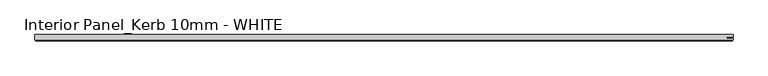
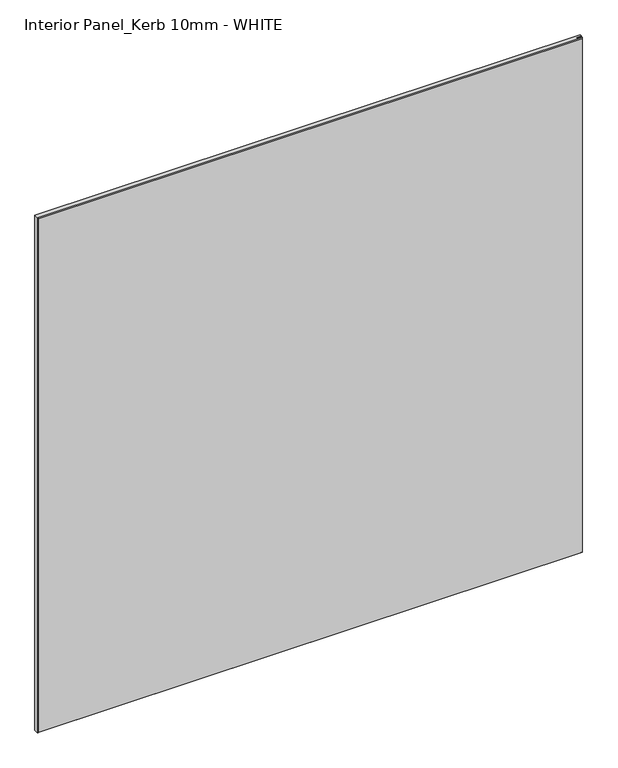
"""IFC4 building model written with IfcOpenShell, lengths in millimetres: proxy geometry, Interior Panel_Kerb 10mm - WHITE."""

from ifc_helpers import new_model, si_unit, origin, place, context, project, spatial, faceted_brep, source, transform, mapped, element, save


def interior_panel_kerb_10mm_white_eff1387a(model_context):
    return source(origin(), model_context, "Body", "Brep", [
        faceted_brep([(992.1875, 3.175, 1063.625), (-73.025, 3.175, 1063.625), (-73.025, -4.7625, 1063.625), (992.1875, -4.7625, 1063.625), (992.1875, -2.6543, 1063.625), (982.3648437, -2.6543, 1063.625), (982.3648437, -0.5207, 1063.625), (992.1875, -0.5207, 1063.625), (992.1875, 3.175, 0.0), (992.1875, -0.5207, 0.0), (982.3648437, -0.5207, 0.0), (982.3648437, -2.6543, 0.0), (992.1875, -2.6543, 0.0), (992.1875, -4.7625, 0.0), (-73.025, -4.7625, 0.0), (-73.025, 3.175, 0.0), (-71.4375, -6.35, 1062.0375), (-71.4375, -6.35, 1.5875), (990.6, -6.35, 1.5875), (990.6, -6.35, 1062.0375)], [[[0, 1, 2, 3, 4, 5, 6, 7]], [[8, 9, 10, 11, 12, 13, 14, 15]], [[1, 0, 8, 15]], [[2, 1, 15, 14]], [[16, 17, 18, 19]], [[4, 3, 13, 12]], [[2, 14, 17, 16]], [[13, 3, 19, 18]], [[3, 2, 16, 19]], [[14, 13, 18, 17]], [[5, 4, 12, 11]], [[6, 5, 11, 10]], [[7, 6, 10, 9]], [[0, 7, 9, 8]]]),
    ])


if __name__ == "__main__":
    model = new_model("IFC4")
    model_context = context("Model", 3, world=origin())
    ifc_project = project(units=[si_unit("LENGTHUNIT", "METRE", prefix="MILLI")], contexts=[model_context])
    site = spatial("IfcSite", under=ifc_project)
    building = spatial("IfcBuilding", under=site)
    placement = place(None, origin())
    interior_panel_kerb_10mm_white_shape = interior_panel_kerb_10mm_white_eff1387a(model_context)
    element("IfcBuildingElementProxy", 1, Name="Interior Panel_Kerb 10mm - WHITE", ObjectType="Interior Panel_Kerb 10mm - WHITE", at=placement, inside=building, context=model_context, shape_type="MappedRepresentation", body=[
        mapped(interior_panel_kerb_10mm_white_shape, transform((0.0, 0.0, 0.0), x_axis=(1.0, 0.0, 0.0), y_axis=(0.0, 1.0, 0.0), z_axis=(0.0, 0.0, 1.0))),
    ])
    save(model, "model.ifc")
